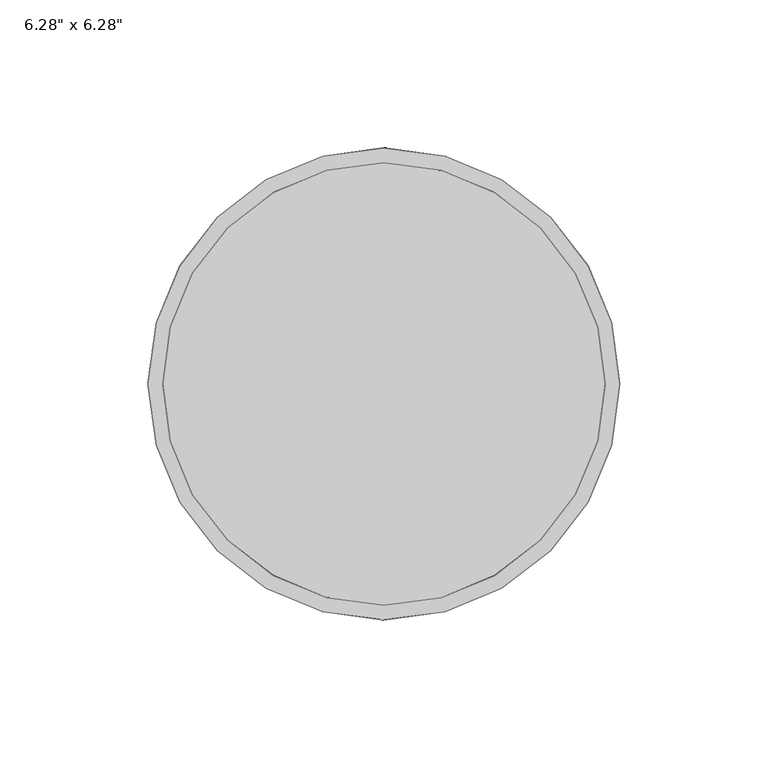
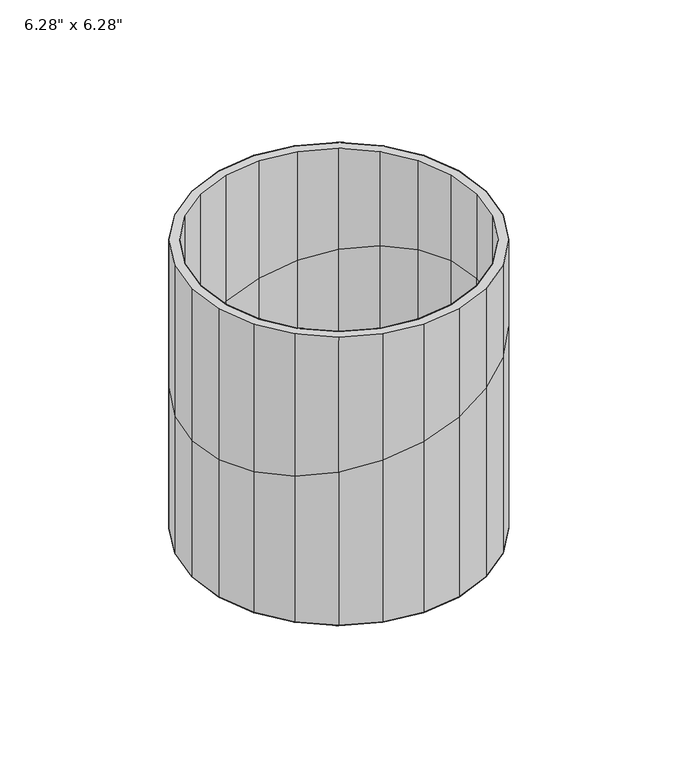
"""IFC4 building model written with IfcOpenShell, lengths in millimetres: furniture geometry."""

from ifc_helpers import new_model, si_unit, origin, place, context, project, spatial, triangles, source, transform, mapped, element, save


def furniture_c141fec7(model_context):
    return source(origin(), model_context, "Body", "Tessellation", [
        triangles([(19.3363788, -72.1644996, 102.7613693), (19.3363788, -72.1644814, 7.6690858), (-3.02e-05, -74.71017, 7.6690853), (-3.02e-05, -74.7101836, 97.916734), (37.3550464, -64.7009381, 107.2758375), (37.3550464, -64.7009245, 7.669087), (52.8280345, -52.8281117, 111.1525268), (52.8280345, -52.8280936, 7.6690887), (64.700879, -37.3551395, 114.1271999), (64.700879, -37.3551213, 7.6690915), (72.1644678, -19.3364787, 115.9971711), (72.1644678, -19.3364605, 7.6690949), (74.7101745, -1.19e-05, 116.6349956), (74.71017, 7.2e-06, 7.6690983), (-54.8881014, 54.8881241, 9.6e-06), (-38.811748, 67.2239445, 1.18e-05), (20.0904411, 74.9785584, 1.31e-05), (38.811748, 67.2239354, 1.18e-05), (77.0064551, 20.6338241, 2.0513723), (77.0064551, 20.6338037, 117.2103238), (79.7229499, -1.27e-05, 117.8909055), (79.7229499, 7.5e-06, 2.0513612), (69.0421021, 39.8614795, 2.0513758), (69.0421021, 39.8614613, 115.2148878), (56.3726356, 56.3726447, 2.0513787), (56.3726356, 56.3726265, 112.0406357), (39.8614659, 69.0421021, 2.0513809), (39.8614659, 69.0420794, 107.9038606), (20.6338173, 77.0064551, 2.0513824), (20.6338173, 77.0064461, 103.0864675), (1.6e-06, 79.7229499, 2.0513828), (1.6e-06, 79.7229318, 97.9167704), (-20.6338105, 77.0064551, 2.0513824), (-20.6338105, 77.0064461, 92.7470823), (-39.8614659, 69.0421111, 2.0513809), (-39.8614659, 69.042093, 87.9297074), (-56.3726265, 56.3726537, 2.0513787), (-56.3726265, 56.3726401, 83.7929141), (-69.0420884, 39.8614931, 2.0513758), (-69.0420884, 39.8614795, 80.6186347), (-77.0064551, 20.6338423, 2.0513723), (-77.0064551, 20.6338287, 78.6232169), (-79.7229499, 2.97e-05, 2.0513689), (-79.7229499, 1.64e-05, 77.9425989), (-77.0064642, -20.6337855, 2.0513653), (-77.0064642, -20.6337991, 78.6231987), (-69.0421157, -39.8614386, 2.0513618), (-69.0421157, -39.8614613, 80.6186166), (-56.3726674, -56.3726083, 2.0513591), (-56.3726674, -56.3726219, 83.7928777), (-39.8614931, -69.0420884, 2.0513567), (-39.8614931, -69.0421021, 87.9296529), (-20.6338445, -77.0064461, 2.0513554), (-20.6338445, -77.0064551, 92.7470369), (-3.26e-05, -79.7229499, 2.0513548), (-3.26e-05, -79.722959, 97.9167249), (20.633781, -77.0064642, 2.0513554), (20.633781, -77.0064824, 103.0864221), (39.8614386, -69.0421248, 2.0513567), (39.8614386, -69.0421475, 107.9038152), (56.3726038, -56.3726674, 2.0513591), (56.3726038, -56.3726855, 112.0405994), (69.0420703, -39.8615113, 2.0513618), (69.0420703, -39.8615295, 115.2148515), (77.0064461, -20.6338673, 2.0513653), (77.0064461, -20.6338877, 117.2102966), (-51.499927, -51.499877, 5.688407), (-36.4159458, -63.0742251, 5.6884047), (51.4998725, -51.499927, 5.688407), (63.074216, -36.415964, 5.6884093), (77.0064551, 20.6338241, 3.6e-06), (79.7229499, 7.9e-06, 0.0), (77.623505, 8.3e-06, 0.0), (74.9785584, 20.0904525, 3.5e-06), (77.0064461, -20.6338673, -3.6e-06), (74.9785357, -20.0904888, -3.5e-06), (69.0420703, -39.8615113, -7e-06), (67.2239082, -38.8117934, -6.8e-06), (56.3726038, -56.3726674, -9.9e-06), (54.8880787, -54.8881422, -9.6e-06), (39.8614386, -69.0421248, -1.21e-05), (38.8117162, -67.2239581, -1.18e-05), (20.633781, -77.0064642, -1.35e-05), (20.0904048, -74.9785675, -1.31e-05), (-3.26e-05, -79.7229499, -1.39e-05), (-3.13e-05, -77.623505, -1.36e-05), (-20.6338445, -77.0064461, -1.35e-05), (-20.0904706, -74.9785357, -1.31e-05), (-39.8614931, -69.0420884, -1.21e-05), (-38.8117752, -67.2239218, -1.18e-05), (-56.3726674, -56.3726083, -9.9e-06), (-54.8881422, -54.8880832, -9.6e-06), (-69.0421157, -39.8614386, -7e-06), (-67.2239491, -38.8117207, -6.8e-06), (-77.0064642, -20.6337855, -3.6e-06), (-74.9785675, -20.0904093, -3.5e-06), (-79.7229499, 3.01e-05, 0.0), (-77.623505, 2.93e-05, 0.0), (-77.0064551, 20.6338423, 3.6e-06), (-74.9785448, 20.0904684, 3.5e-06), (-69.0420884, 39.8614931, 7e-06), (-67.2239218, 38.8117752, 6.8e-06), (-56.3726265, 56.3726537, 9.9e-06), (-39.8614659, 69.0421111, 1.21e-05), (-20.6338105, 77.0064551, 1.35e-05), (-20.0904366, 74.9785584, 1.31e-05), (1.6e-06, 79.7229499, 1.39e-05), (2e-06, 77.623505, 1.36e-05), (20.6338173, 77.0064551, 1.35e-05), (39.8614659, 69.0421021, 1.21e-05), (56.3726356, 56.3726447, 9.9e-06), (54.8881059, 54.8881195, 9.6e-06), (69.0421021, 39.8614795, 7e-06), (67.2239354, 38.8117616, 6.8e-06), (74.71017, 7.5e-06, 5.6884161), (72.1644814, 19.3364197, 5.6884189), (70.3501754, 18.8502779, 5.6884189), (72.8318598, 7.8e-06, 5.6884161), (64.7009108, 37.3550873, 5.6884223), (63.0742478, 36.4159345, 5.6884223), (52.8280618, 52.8280754, 5.6884252), (51.4998952, 51.4999088, 5.6884246), (37.3550759, 64.7009108, 5.6884269), (36.4159231, 63.0742478, 5.6884269), (19.3364128, 72.1644769, 5.6884286), (18.8502711, 70.3501708, 5.688428), (1.9e-06, 74.71017, 5.6884291), (1.6e-06, 72.8318598, 5.6884286), (-19.3364083, 72.1644814, 5.6884286), (-18.8502666, 70.3501754, 5.688428), (-37.3550759, 64.7009154, 5.6884269), (-36.4159231, 63.0742523, 5.6884269), (-52.8280527, 52.8280754, 5.6884252), (-51.4998907, 51.4999088, 5.6884246), (-64.7008927, 37.3550986, 5.6884223), (-63.0742296, 36.4159458, 5.6884223), (-72.1644769, 19.3364356, 5.6884189), (-70.3501708, 18.8502927, 5.6884189), (-74.71017, 2.75e-05, 5.6884161), (-72.8318598, 2.72e-05, 5.6884161), (-72.1644814, -19.3363833, 5.6884127), (-70.3501754, -18.8502427, 5.6884127), (-64.7009154, -37.3550509, 5.6884093), (-63.0742523, -36.4158981, 5.6884093), (-52.8280936, -52.8280391, 5.6884064), (-37.3550986, -64.7008927, 5.6884047), (-19.3364401, -72.1644678, 5.688403), (-18.8502972, -70.3501618, 5.6884036), (-3.02e-05, -74.71017, 5.688403), (-2.96e-05, -72.8318598, 5.688403), (19.3363788, -72.1644814, 5.688403), (18.850237, -70.3501754, 5.6884036), (37.3550464, -64.7009245, 5.6884047), (36.4158936, -63.0742523, 5.6884047), (52.8280345, -52.8280936, 5.6884064), (64.700879, -37.3551213, 5.6884093), (72.1644678, -19.3364605, 5.6884127), (70.3501618, -18.8503176, 5.6884127), (72.1644814, 19.3364197, 7.6691017), (64.7009108, 37.3550873, 7.6691046), (52.8280618, 52.8280754, 7.6691074), (37.3550759, 64.7009108, 7.6691091), (19.3364128, 72.1644769, 7.6691108), (1.9e-06, 74.71017, 7.6691114), (-19.3364083, 72.1644814, 7.6691108), (-37.3550759, 64.7009154, 7.6691091), (-52.8280527, 52.8280754, 7.6691074), (-64.7008927, 37.3550986, 7.6691046), (-72.1644769, 19.3364356, 7.6691017), (-74.71017, 2.71e-05, 7.6690983), (-72.1644814, -19.3363833, 7.6690949), (-64.7009154, -37.3550509, 7.6690915), (-52.8280936, -52.8280391, 7.6690887), (-37.3550986, -64.7008927, 7.669087), (-19.3364401, -72.1644678, 7.6690858), (72.1644769, 19.3364015, 115.9971711), (64.7009108, 37.3550691, 114.1272362), (52.8280618, 52.8280527, 111.152545), (37.3550759, 64.7008881, 107.275892), (19.3364128, 72.1644633, 102.7614056), (1.9e-06, 74.7101609, 97.9167885), (-19.3364083, 72.1644678, 93.0721442), (-37.3550759, 64.7009017, 88.5576578), (-52.8280527, 52.8280618, 84.6809867), (-64.7008927, 37.355085, 81.7063136), (-72.1644769, 19.3364242, 79.8363424), (-74.71017, 1.46e-05, 79.1985361), (-72.1644814, -19.3363947, 79.8363424), (-64.7009154, -37.3550645, 81.7062864), (-52.8280936, -52.8280527, 84.6809504), (-37.3550986, -64.7009017, 88.5576123), (-19.3364401, -72.1644814, 93.0720897)], [[1, 2, 3], [1, 3, 4], [5, 6, 2], [5, 2, 1], [7, 8, 6], [7, 6, 5], [9, 10, 8], [9, 8, 7], [11, 12, 10], [11, 10, 9], [13, 14, 12], [13, 12, 11], [15, 16, 17], [15, 17, 18], [19, 20, 21], [19, 21, 22], [23, 24, 20], [23, 20, 19], [25, 26, 24], [25, 24, 23], [27, 28, 26], [27, 26, 25], [29, 30, 28], [29, 28, 27], [31, 32, 30], [31, 30, 29], [33, 34, 32], [33, 32, 31], [35, 36, 34], [35, 34, 33], [37, 38, 36], [37, 36, 35], [39, 40, 38], [39, 38, 37], [41, 42, 40], [41, 40, 39], [43, 44, 42], [43, 42, 41], [45, 46, 44], [45, 44, 43], [47, 48, 46], [47, 46, 45], [49, 50, 48], [49, 48, 47], [51, 52, 50], [51, 50, 49], [53, 54, 52], [53, 52, 51], [55, 56, 54], [55, 54, 53], [57, 58, 56], [57, 56, 55], [59, 60, 58], [59, 58, 57], [61, 62, 60], [61, 60, 59], [63, 64, 62], [63, 62, 61], [65, 66, 64], [65, 64, 63], [22, 21, 66], [22, 66, 65], [67, 68, 69], [67, 69, 70], [71, 72, 73], [71, 73, 74], [72, 75, 76], [72, 76, 73], [75, 77, 78], [75, 78, 76], [77, 79, 80], [77, 80, 78], [79, 81, 82], [79, 82, 80], [81, 83, 84], [81, 84, 82], [83, 85, 86], [83, 86, 84], [85, 87, 88], [85, 88, 86], [87, 89, 90], [87, 90, 88], [89, 91, 92], [89, 92, 90], [91, 93, 94], [91, 94, 92], [93, 95, 96], [93, 96, 94], [95, 97, 98], [95, 98, 96], [97, 99, 100], [97, 100, 98], [99, 101, 102], [99, 102, 100], [101, 103, 15], [101, 15, 102], [103, 104, 16], [103, 16, 15], [104, 105, 106], [104, 106, 16], [105, 107, 108], [105, 108, 106], [107, 109, 17], [107, 17, 108], [109, 110, 18], [109, 18, 17], [110, 111, 112], [110, 112, 18], [111, 113, 114], [111, 114, 112], [113, 71, 74], [113, 74, 114], [16, 106, 108], [16, 108, 17], [112, 114, 100], [112, 100, 102], [102, 15, 18], [102, 18, 112], [74, 73, 96], [74, 96, 98], [98, 100, 114], [98, 114, 74], [76, 78, 92], [76, 92, 94], [94, 96, 73], [94, 73, 76], [80, 82, 84], [80, 84, 86], [80, 86, 88], [80, 88, 90], [90, 92, 78], [90, 78, 80], [115, 116, 117], [115, 117, 118], [116, 119, 120], [116, 120, 117], [119, 121, 122], [119, 122, 120], [121, 123, 124], [121, 124, 122], [123, 125, 126], [123, 126, 124], [125, 127, 128], [125, 128, 126], [127, 129, 130], [127, 130, 128], [129, 131, 132], [129, 132, 130], [131, 133, 134], [131, 134, 132], [133, 135, 136], [133, 136, 134], [135, 137, 138], [135, 138, 136], [137, 139, 140], [137, 140, 138], [139, 141, 142], [139, 142, 140], [141, 143, 144], [141, 144, 142], [143, 145, 67], [143, 67, 144], [145, 146, 68], [145, 68, 67], [146, 147, 148], [146, 148, 68], [147, 149, 150], [147, 150, 148], [149, 151, 152], [149, 152, 150], [151, 153, 154], [151, 154, 152], [153, 155, 69], [153, 69, 154], [155, 156, 70], [155, 70, 69], [156, 157, 158], [156, 158, 70], [157, 115, 118], [157, 118, 158], [148, 150, 152], [148, 152, 154], [68, 148, 154], [68, 154, 69], [158, 118, 142], [158, 142, 144], [144, 67, 70], [144, 70, 158], [117, 120, 138], [117, 138, 140], [140, 142, 118], [140, 118, 117], [122, 124, 134], [122, 134, 136], [136, 138, 120], [136, 120, 122], [126, 128, 130], [126, 130, 132], [132, 134, 124], [132, 124, 126], [22, 72, 71], [22, 71, 19], [19, 71, 113], [19, 113, 23], [23, 113, 111], [23, 111, 25], [25, 111, 110], [25, 110, 27], [27, 110, 109], [27, 109, 29], [29, 109, 107], [29, 107, 31], [31, 107, 105], [31, 105, 33], [33, 105, 104], [33, 104, 35], [35, 104, 103], [35, 103, 37], [37, 103, 101], [37, 101, 39], [39, 101, 99], [39, 99, 41], [41, 99, 97], [41, 97, 43], [43, 97, 95], [43, 95, 45], [45, 95, 93], [45, 93, 47], [47, 93, 91], [47, 91, 49], [49, 91, 89], [49, 89, 51], [51, 89, 87], [51, 87, 53], [53, 87, 85], [53, 85, 55], [55, 85, 83], [55, 83, 57], [57, 83, 81], [57, 81, 59], [59, 81, 79], [59, 79, 61], [61, 79, 77], [61, 77, 63], [63, 77, 75], [63, 75, 65], [65, 75, 72], [65, 72, 22], [159, 116, 115], [159, 115, 14], [160, 119, 116], [160, 116, 159], [161, 121, 119], [161, 119, 160], [162, 123, 121], [162, 121, 161], [163, 125, 123], [163, 123, 162], [164, 127, 125], [164, 125, 163], [165, 129, 127], [165, 127, 164], [166, 131, 129], [166, 129, 165], [167, 133, 131], [167, 131, 166], [168, 135, 133], [168, 133, 167], [169, 137, 135], [169, 135, 168], [170, 139, 137], [170, 137, 169], [171, 141, 139], [171, 139, 170], [172, 143, 141], [172, 141, 171], [173, 145, 143], [173, 143, 172], [174, 146, 145], [174, 145, 173], [175, 147, 146], [175, 146, 174], [3, 149, 147], [3, 147, 175], [2, 151, 149], [2, 149, 3], [6, 153, 151], [6, 151, 2], [8, 155, 153], [8, 153, 6], [10, 156, 155], [10, 155, 8], [12, 157, 156], [12, 156, 10], [14, 115, 157], [14, 157, 12], [176, 159, 14], [176, 14, 13], [177, 160, 159], [177, 159, 176], [178, 161, 160], [178, 160, 177], [179, 162, 161], [179, 161, 178], [180, 163, 162], [180, 162, 179], [181, 164, 163], [181, 163, 180], [182, 165, 164], [182, 164, 181], [183, 166, 165], [183, 165, 182], [184, 167, 166], [184, 166, 183], [185, 168, 167], [185, 167, 184], [186, 169, 168], [186, 168, 185], [187, 170, 169], [187, 169, 186], [188, 171, 170], [188, 170, 187], [189, 172, 171], [189, 171, 188], [190, 173, 172], [190, 172, 189], [191, 174, 173], [191, 173, 190], [192, 175, 174], [192, 174, 191], [4, 3, 175], [4, 175, 192]], closed=False),
        triangles([(-20.6338445, -77.0064551, 92.7470369), (-20.6338445, -77.0064733, 163.0486414), (-39.8614931, -69.0421157, 163.0486414), (-39.8614931, -69.0421021, 87.9296529), (-3.26e-05, -79.722959, 97.9167249), (-3.26e-05, -79.7229772, 163.0486414), (20.633781, -77.0064824, 103.0864221), (20.633781, -77.0065006, 163.0486414), (39.8614386, -69.0421475, 107.9038152), (39.8614386, -69.042152, 163.0486414), (56.3726038, -56.3726855, 112.0405994), (56.3726038, -56.3726992, 163.0486414), (69.0420703, -39.8615295, 115.2148515), (69.0420703, -39.8615431, 163.0486596), (77.0064461, -20.6338877, 117.2102966), (77.0064461, -20.6338945, 163.0486596), (79.7229499, -1.27e-05, 117.8909055), (79.7229499, -2.06e-05, 163.0486596), (76.4911523, 20.4957193, 165.1000061), (72.6797888, 19.4744699, 165.1000061), (75.2436585, -2.04e-05, 165.1000061), (79.1894614, -2.09e-05, 165.1000061), (68.580089, 39.594708, 165.1000061), (65.1629193, 37.6218043, 165.1000061), (55.9954011, 55.995383, 165.1000242), (53.2052917, 53.2052735, 165.1000242), (39.5947262, 68.5800618, 165.1000242), (37.6218224, 65.1628875, 165.1000242), (20.4957398, 76.491125, 165.1000242), (19.4744904, 72.6797525, 165.1000242), (1.6e-06, 79.1894342, 165.1000242), (1.8e-06, 75.2436312, 165.1000242), (-20.495733, 76.491125, 165.1000242), (-19.4744835, 72.679757, 165.1000242), (-39.5947262, 68.5800709, 165.1000242), (-37.6218179, 65.1628966, 165.1000242), (-55.9953921, 55.9953921, 165.1000242), (-53.2052871, 53.2052826, 165.1000242), (-68.5800754, 39.5947216, 165.1000061), (-65.1629057, 37.6218156, 165.1000061), (-76.4911432, 20.4957398, 165.1000061), (-72.6797797, 19.4744881, 165.1000061), (-79.1894614, 1e-06, 165.1000061), (-75.2436585, 0.0, 165.1000061), (-76.4911614, -20.4957352, 165.1000061), (-72.6797888, -19.4744881, 165.1000061), (-68.5801072, -39.5947307, 165.1000061), (-65.1629284, -37.6218224, 165.1000061), (-55.9954375, -55.9954102, 165.0999879), (-53.205328, -53.2053007, 165.0999879), (-39.5947489, -68.5801072, 165.0999879), (-37.6218451, -65.162933, 165.0999879), (-20.4957693, -76.4911705, 165.0999879), (-19.4745176, -72.6798024, 165.0999879), (-3.24e-05, -79.1894978, 165.0999879), (-3.05e-05, -75.2436903, 165.0999879), (20.4957035, -76.4911886, 165.0999879), (19.4744563, -72.6798161, 165.0999879), (39.5946944, -68.5801435, 165.0999879), (37.6217884, -65.1629647, 165.0999879), (55.9953739, -55.9954693, 165.0999879), (53.2052644, -53.2053552, 165.0999879), (68.5800618, -39.5947988, 165.1000061), (65.1628875, -37.6218928, 165.1000061), (76.4911432, -20.495817, 165.1000061), (72.6797752, -19.474563, 165.1000061), (72.1644814, 19.3363924, 163.9458614), (72.1644769, 19.3364015, 115.9971711), (74.7101745, -1.19e-05, 116.6349956), (74.71017, -2.02e-05, 163.9458614), (64.7009108, 37.3550577, 163.9458614), (64.7009108, 37.3550691, 114.1272362), (52.8280618, 52.8280436, 163.9458796), (52.8280618, 52.8280527, 111.152545), (37.3550759, 64.700879, 163.9458796), (37.3550759, 64.7008881, 107.275892), (19.3364128, 72.1644451, 163.9458796), (19.3364128, 72.1644633, 102.7614056), (1.9e-06, 74.7101382, 163.9458796), (1.9e-06, 74.7101609, 97.9167885), (-19.3364083, 72.1644542, 163.9458796), (-19.3364083, 72.1644678, 93.0721442), (-37.3550759, 64.7008881, 163.9458796), (-37.3550759, 64.7009017, 88.5576578), (-52.8280527, 52.8280481, 163.9458796), (-52.8280527, 52.8280618, 84.6809867), (-64.7008927, 37.3550691, 163.9458614), (-64.7008927, 37.355085, 81.7063136), (-72.1644769, 19.3364106, 163.9458614), (-72.1644769, 19.3364242, 79.8363424), (-74.71017, 0.0, 163.9458614), (-74.71017, 1.46e-05, 79.1985361), (-72.1644814, -19.3364106, 163.9458614), (-72.1644814, -19.3363947, 79.8363424), (-64.7009154, -37.3550804, 163.9458614), (-64.7009154, -37.3550645, 81.7062864), (-52.8280936, -52.8280709, 163.9458614), (-52.8280936, -52.8280527, 84.6809504), (-37.3550986, -64.7009245, 163.9458614), (-37.3550986, -64.7009017, 88.5576123), (-19.3364401, -72.1644996, 163.9458614), (-19.3364401, -72.1644814, 93.0720897), (-3.02e-05, -74.7101972, 163.9458614), (-3.02e-05, -74.7101836, 97.916734), (19.3363788, -72.1645132, 163.9458614), (19.3363788, -72.1644996, 102.7613693), (37.3550464, -64.7009517, 163.9458614), (37.3550464, -64.7009381, 107.2758375), (52.8280345, -52.8281208, 163.9458614), (52.8280345, -52.8281117, 111.1525268), (64.700879, -37.3551508, 163.9458614), (64.700879, -37.3551395, 114.1271999), (72.1644678, -19.3364855, 163.9458614), (72.1644678, -19.3364787, 115.9971711), (77.0064551, 20.6337969, 163.0486596), (77.0064551, 20.6337969, 165.1000061), (79.7229499, -2.1e-05, 165.1000061), (69.0421021, 39.8614523, 163.0486596), (69.0421021, 39.8614523, 165.1000061), (56.3726356, 56.3726174, 163.0486778), (56.3726356, 56.3726174, 165.1000242), (39.8614659, 69.0420703, 163.0486778), (39.8614659, 69.0420703, 165.1000242), (20.6338173, 77.0064279, 163.0486778), (20.6338173, 77.0064279, 165.1000242), (1.6e-06, 79.7229227, 163.0486778), (1.6e-06, 79.7229227, 165.1000242), (-20.6338105, 77.0064279, 163.0486778), (-20.6338105, 77.0064279, 165.1000242), (-39.8614659, 69.0420794, 163.0486778), (-39.8614659, 69.0420794, 165.1000242), (-56.3726265, 56.3726219, 163.0486778), (-56.3726265, 56.3726219, 165.1000242), (-69.0420884, 39.8614613, 163.0486596), (-69.0420884, 39.8614613, 165.1000061), (-77.0064551, 20.633815, 163.0486596), (-77.0064551, 20.633815, 165.1000061), (-79.7229499, 1.5e-06, 163.0486596), (-79.7229499, 1.2e-06, 165.1000061), (-77.0064642, -20.6338128, 163.0486596), (-77.0064642, -20.6338128, 165.1000061), (-69.0421157, -39.8614704, 163.0486596), (-69.0421157, -39.8614704, 165.1000061), (-56.3726674, -56.3726401, 163.0486414), (-56.3726674, -56.3726401, 165.0999879), (-39.8614931, -69.0421157, 165.0999879), (-20.6338445, -77.0064733, 165.0999879), (-3.26e-05, -79.7229772, 165.0999879), (20.633781, -77.0065006, 165.0999879), (39.8614386, -69.042152, 165.0999879), (56.3726038, -56.3726992, 165.0999879), (69.0420703, -39.8615431, 165.1000061), (77.0064461, -20.6338945, 165.1000061), (74.71017, -2.04e-05, 165.1000061), (72.1644814, 19.3363924, 165.1000061), (64.7009108, 37.3550577, 165.1000061), (52.8280618, 52.8280436, 165.1000242), (37.3550759, 64.700879, 165.1000242), (19.3364128, 72.1644451, 165.1000242), (1.9e-06, 74.7101382, 165.1000242), (-19.3364083, 72.1644542, 165.1000242), (-37.3550759, 64.7008881, 165.1000242), (-52.8280527, 52.8280481, 165.1000242), (-64.7008927, 37.3550691, 165.1000061), (-72.1644769, 19.3364106, 165.1000061), (-74.71017, 0.0, 165.1000061), (-72.1644814, -19.3364106, 165.1000061), (-64.7009154, -37.3550804, 165.1000061), (-52.8280936, -52.8280709, 165.0999879), (-37.3550986, -64.7009245, 165.0999879), (-19.3364401, -72.1644996, 165.0999879), (-3.02e-05, -74.7101972, 165.0999879), (19.3363788, -72.1645132, 165.0999879), (37.3550464, -64.7009517, 165.0999879), (52.8280345, -52.8281208, 165.0999879), (64.700879, -37.3551508, 165.1000061), (72.1644678, -19.3364855, 165.1000061), (77.0064551, 20.6338037, 117.2103238), (69.0421021, 39.8614613, 115.2148878), (56.3726356, 56.3726265, 112.0406357), (39.8614659, 69.0420794, 107.9038606), (20.6338173, 77.0064461, 103.0864675), (1.6e-06, 79.7229318, 97.9167704), (-20.6338105, 77.0064461, 92.7470823), (-39.8614659, 69.042093, 87.9297074), (-56.3726265, 56.3726401, 83.7929141), (-69.0420884, 39.8614795, 80.6186347), (-77.0064551, 20.6338287, 78.6232169), (-79.7229499, 1.64e-05, 77.9425989), (-77.0064642, -20.6337991, 78.6231987), (-69.0421157, -39.8614613, 80.6186166), (-56.3726674, -56.3726219, 83.7928777)], [[1, 2, 3], [1, 3, 4], [5, 6, 2], [5, 2, 1], [7, 8, 6], [7, 6, 5], [9, 10, 8], [9, 8, 7], [11, 12, 10], [11, 10, 9], [13, 14, 12], [13, 12, 11], [15, 16, 14], [15, 14, 13], [17, 18, 16], [17, 16, 15], [19, 20, 21], [19, 21, 22], [23, 24, 20], [23, 20, 19], [25, 26, 24], [25, 24, 23], [27, 28, 26], [27, 26, 25], [29, 30, 28], [29, 28, 27], [31, 32, 30], [31, 30, 29], [33, 34, 32], [33, 32, 31], [35, 36, 34], [35, 34, 33], [37, 38, 36], [37, 36, 35], [39, 40, 38], [39, 38, 37], [41, 42, 40], [41, 40, 39], [43, 44, 42], [43, 42, 41], [45, 46, 44], [45, 44, 43], [47, 48, 46], [47, 46, 45], [49, 50, 48], [49, 48, 47], [51, 52, 50], [51, 50, 49], [53, 54, 52], [53, 52, 51], [55, 56, 54], [55, 54, 53], [57, 58, 56], [57, 56, 55], [59, 60, 58], [59, 58, 57], [61, 62, 60], [61, 60, 59], [63, 64, 62], [63, 62, 61], [65, 66, 64], [65, 64, 63], [22, 21, 66], [22, 66, 65], [67, 68, 69], [67, 69, 70], [71, 72, 68], [71, 68, 67], [73, 74, 72], [73, 72, 71], [75, 76, 74], [75, 74, 73], [77, 78, 76], [77, 76, 75], [79, 80, 78], [79, 78, 77], [81, 82, 80], [81, 80, 79], [83, 84, 82], [83, 82, 81], [85, 86, 84], [85, 84, 83], [87, 88, 86], [87, 86, 85], [89, 90, 88], [89, 88, 87], [91, 92, 90], [91, 90, 89], [93, 94, 92], [93, 92, 91], [95, 96, 94], [95, 94, 93], [97, 98, 96], [97, 96, 95], [99, 100, 98], [99, 98, 97], [101, 102, 100], [101, 100, 99], [103, 104, 102], [103, 102, 101], [105, 106, 104], [105, 104, 103], [107, 108, 106], [107, 106, 105], [109, 110, 108], [109, 108, 107], [111, 112, 110], [111, 110, 109], [113, 114, 112], [113, 112, 111], [70, 69, 114], [70, 114, 113], [115, 116, 117], [115, 117, 18], [118, 119, 116], [118, 116, 115], [120, 121, 119], [120, 119, 118], [122, 123, 121], [122, 121, 120], [124, 125, 123], [124, 123, 122], [126, 127, 125], [126, 125, 124], [128, 129, 127], [128, 127, 126], [130, 131, 129], [130, 129, 128], [132, 133, 131], [132, 131, 130], [134, 135, 133], [134, 133, 132], [136, 137, 135], [136, 135, 134], [138, 139, 137], [138, 137, 136], [140, 141, 139], [140, 139, 138], [142, 143, 141], [142, 141, 140], [144, 145, 143], [144, 143, 142], [3, 146, 145], [3, 145, 144], [2, 147, 146], [2, 146, 3], [6, 148, 147], [6, 147, 2], [8, 149, 148], [8, 148, 6], [10, 150, 149], [10, 149, 8], [12, 151, 150], [12, 150, 10], [14, 152, 151], [14, 151, 12], [16, 153, 152], [16, 152, 14], [18, 117, 153], [18, 153, 16], [70, 154, 155], [70, 155, 67], [67, 155, 156], [67, 156, 71], [71, 156, 157], [71, 157, 73], [73, 157, 158], [73, 158, 75], [75, 158, 159], [75, 159, 77], [77, 159, 160], [77, 160, 79], [79, 160, 161], [79, 161, 81], [81, 161, 162], [81, 162, 83], [83, 162, 163], [83, 163, 85], [85, 163, 164], [85, 164, 87], [87, 164, 165], [87, 165, 89], [89, 165, 166], [89, 166, 91], [91, 166, 167], [91, 167, 93], [93, 167, 168], [93, 168, 95], [95, 168, 169], [95, 169, 97], [97, 169, 170], [97, 170, 99], [99, 170, 171], [99, 171, 101], [101, 171, 172], [101, 172, 103], [103, 172, 173], [103, 173, 105], [105, 173, 174], [105, 174, 107], [107, 174, 175], [107, 175, 109], [109, 175, 176], [109, 176, 111], [111, 176, 177], [111, 177, 113], [113, 177, 154], [113, 154, 70], [20, 155, 154], [20, 154, 21], [22, 117, 116], [22, 116, 19], [24, 156, 155], [24, 155, 20], [19, 116, 119], [19, 119, 23], [26, 157, 156], [26, 156, 24], [23, 119, 121], [23, 121, 25], [28, 158, 157], [28, 157, 26], [25, 121, 123], [25, 123, 27], [30, 159, 158], [30, 158, 28], [27, 123, 125], [27, 125, 29], [32, 160, 159], [32, 159, 30], [29, 125, 127], [29, 127, 31], [34, 161, 160], [34, 160, 32], [31, 127, 129], [31, 129, 33], [36, 162, 161], [36, 161, 34], [33, 129, 131], [33, 131, 35], [38, 163, 162], [38, 162, 36], [35, 131, 133], [35, 133, 37], [40, 164, 163], [40, 163, 38], [37, 133, 135], [37, 135, 39], [42, 165, 164], [42, 164, 40], [39, 135, 137], [39, 137, 41], [44, 166, 165], [44, 165, 42], [41, 137, 139], [41, 139, 43], [46, 167, 166], [46, 166, 44], [43, 139, 141], [43, 141, 45], [48, 168, 167], [48, 167, 46], [45, 141, 143], [45, 143, 47], [50, 169, 168], [50, 168, 48], [47, 143, 145], [47, 145, 49], [52, 170, 169], [52, 169, 50], [49, 145, 146], [49, 146, 51], [54, 171, 170], [54, 170, 52], [51, 146, 147], [51, 147, 53], [56, 172, 171], [56, 171, 54], [53, 147, 148], [53, 148, 55], [58, 173, 172], [58, 172, 56], [55, 148, 149], [55, 149, 57], [60, 174, 173], [60, 173, 58], [57, 149, 150], [57, 150, 59], [62, 175, 174], [62, 174, 60], [59, 150, 151], [59, 151, 61], [64, 176, 175], [64, 175, 62], [61, 151, 152], [61, 152, 63], [66, 177, 176], [66, 176, 64], [63, 152, 153], [63, 153, 65], [21, 154, 177], [21, 177, 66], [65, 153, 117], [65, 117, 22], [178, 115, 18], [178, 18, 17], [179, 118, 115], [179, 115, 178], [180, 120, 118], [180, 118, 179], [181, 122, 120], [181, 120, 180], [182, 124, 122], [182, 122, 181], [183, 126, 124], [183, 124, 182], [184, 128, 126], [184, 126, 183], [185, 130, 128], [185, 128, 184], [186, 132, 130], [186, 130, 185], [187, 134, 132], [187, 132, 186], [188, 136, 134], [188, 134, 187], [189, 138, 136], [189, 136, 188], [190, 140, 138], [190, 138, 189], [191, 142, 140], [191, 140, 190], [192, 144, 142], [192, 142, 191], [4, 3, 144], [4, 144, 192]], closed=False),
    ])


if __name__ == "__main__":
    model = new_model("IFC4")
    model_context = context("Model", 3, world=origin())
    ifc_project = project(units=[si_unit("LENGTHUNIT", "METRE", prefix="MILLI")], contexts=[model_context])
    site = spatial("IfcSite", under=ifc_project)
    building = spatial("IfcBuilding", under=site)
    placement = place(None, origin())
    furniture_shape = furniture_c141fec7(model_context)
    element("IfcFurniture", 1, ObjectType="6.28\" x 6.28\"", at=placement, inside=building, context=model_context, shape_type="MappedRepresentation", body=[
        mapped(furniture_shape, transform((0.0, 0.0, 0.0), x_axis=(1.0, 0.0, 0.0), y_axis=(0.0, 1.0, 0.0), z_axis=(0.0, 0.0, 1.0))),
    ])
    save(model, "model.ifc")
